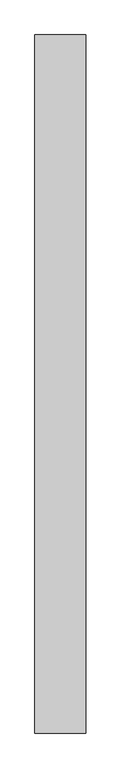
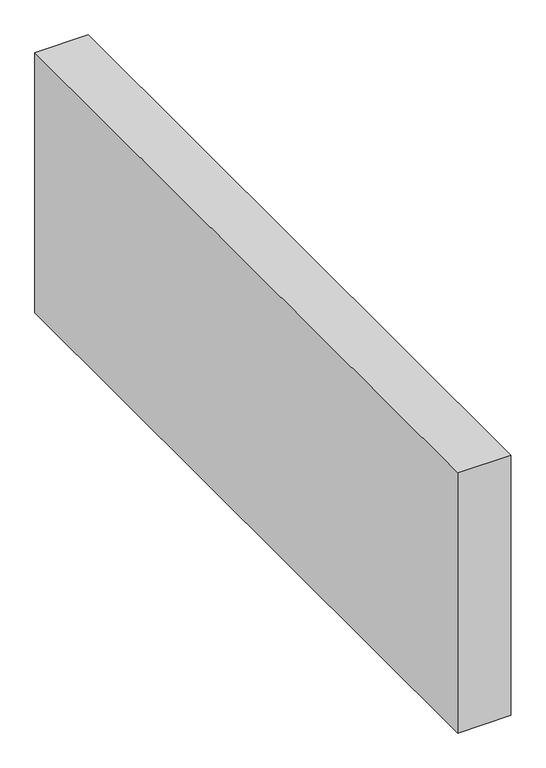
"""IFC4 building model written with IfcOpenShell, lengths in millimetres: proxy geometry."""

from ifc_helpers import new_model, si_unit, origin, origin_with_axes, place, context, project, spatial, polyline, outline, extrude, source, transform, mapped, element, save


def generic_models_22f53ea7(model_context):
    return source(origin(), model_context, "Body", "SweptSolid", [
        extrude(outline(polyline([(150.0, 2065.7917959), (150.0, 0.0), (0.0, 0.0), (0.0, 2065.7917959), (150.0, 2065.7917959)])), origin_with_axes(), (0.0, 0.0, 1.0), 776.6553396),
    ])


if __name__ == "__main__":
    model = new_model("IFC4")
    model_context = context("Model", 3, world=origin())
    ifc_project = project(units=[si_unit("LENGTHUNIT", "METRE", prefix="MILLI")], contexts=[model_context])
    site = spatial("IfcSite", under=ifc_project)
    building = spatial("IfcBuilding", under=site)
    placement = place(None, origin())
    generic_models_shape = generic_models_22f53ea7(model_context)
    element("IfcBuildingElementProxy", 1, Name="Generic Models", at=placement, inside=building, context=model_context, shape_type="MappedRepresentation", body=[
        mapped(generic_models_shape, transform((0.0, 0.0, 0.0), x_axis=(1.0, 0.0, 0.0), y_axis=(0.0, 1.0, 0.0), z_axis=(0.0, 0.0, 1.0))),
    ])
    save(model, "model.ifc")
